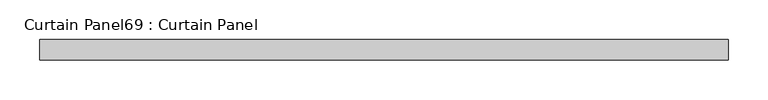
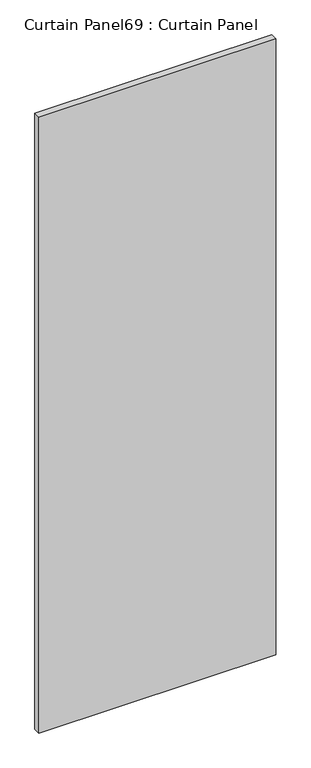
"""IFC4 building model written with IfcOpenShell, lengths in millimetres: plate geometry, Curtain Panel69 : Curtain Panel."""

from ifc_helpers import new_model, si_unit, frame, origin, place, context, project, spatial, polyline, outline, extrude, source, transform, mapped, element, save


def curtain_panel69_curtain_panel_25446cf5(model_context):
    return source(origin(), model_context, "Body", "SweptSolid", [
        extrude(outline(polyline([(-34433.7763097, -1283.4463534), (-35297.5659275, -1283.4463534), (-35297.5659275, -1258.0463534), (-34433.7763097, -1258.0463534), (-34433.7763097, -1283.4463534)])), frame((0.0, 0.0, 54.0872101), z_axis=(0.0, 0.0, 1.0), x_axis=(1.0, 0.0, 0.0)), (0.0, 0.0, 1.0), 2374.7877899),
    ])


if __name__ == "__main__":
    model = new_model("IFC4")
    model_context = context("Model", 3, world=origin())
    ifc_project = project(units=[si_unit("LENGTHUNIT", "METRE", prefix="MILLI")], contexts=[model_context])
    site = spatial("IfcSite", under=ifc_project)
    building = spatial("IfcBuilding", under=site)
    placement = place(None, origin())
    curtain_panel69_curtain_panel_shape = curtain_panel69_curtain_panel_25446cf5(model_context)
    element("IfcPlate", 1, ObjectType="Curtain Panel69 : Curtain Panel", at=placement, inside=building, context=model_context, shape_type="MappedRepresentation", body=[
        mapped(curtain_panel69_curtain_panel_shape, transform((0.0, 0.0, 0.0), x_axis=(1.0, 0.0, 0.0), y_axis=(0.0, 1.0, 0.0), z_axis=(0.0, 0.0, 1.0))),
    ])
    save(model, "model.ifc")
